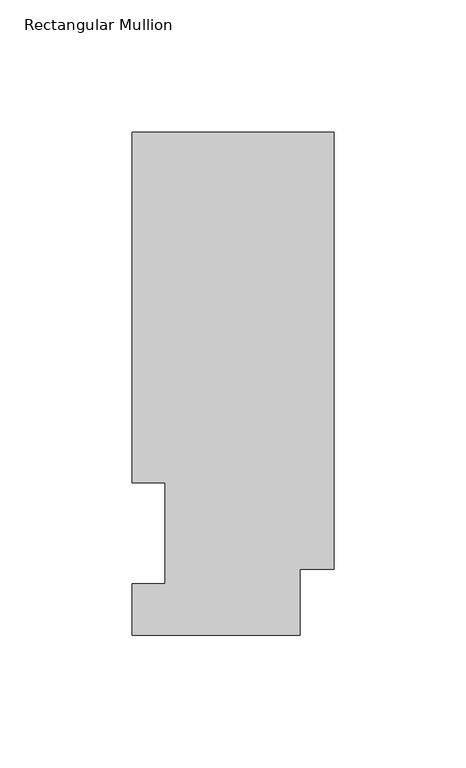
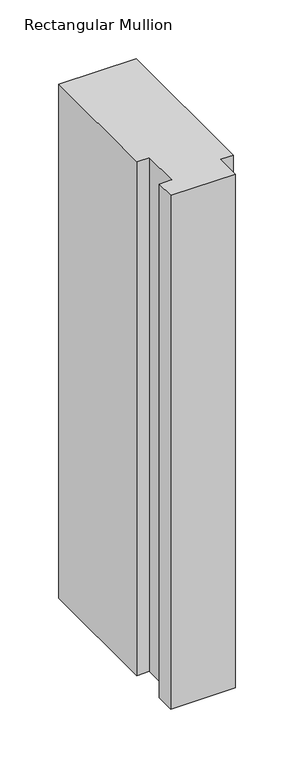
"""IFC4 building model written with IfcOpenShell, lengths in millimetres: member geometry, Rectangular Mullion."""

from ifc_helpers import new_model, si_unit, frame, origin, place, context, project, spatial, polyline, outline, extrude, source, transform, mapped, element, save


def rectangular_mullion_e23c7b3b(model_context):
    return source(origin(), model_context, "Body", "SweptSolid", [
        extrude(outline(polyline([(-76.2, 190.0816937), (0.0, 190.0816937), (0.0, 25.0832937), (-12.7, 25.0832937), (-12.7, 0.0134937), (-76.2, 0.0134937), (-76.2, 19.5460937), (-63.8581605, 19.5460937), (-63.8581605, 57.6460937), (-76.2, 57.6460937), (-76.2, 190.0816937)])), frame((0.0, 0.0, -533.4134937), z_axis=(0.0, 0.0, 1.0), x_axis=(1.0, 0.0, 0.0)), (0.0, 0.0, 1.0), 533.4134937),
    ])


if __name__ == "__main__":
    model = new_model("IFC4")
    model_context = context("Model", 3, world=origin())
    ifc_project = project(units=[si_unit("LENGTHUNIT", "METRE", prefix="MILLI")], contexts=[model_context])
    site = spatial("IfcSite", under=ifc_project)
    building = spatial("IfcBuilding", under=site)
    placement = place(None, origin())
    rectangular_mullion_shape = rectangular_mullion_e23c7b3b(model_context)
    element("IfcMember", 1, ObjectType="Rectangular Mullion", at=placement, inside=building, context=model_context, shape_type="MappedRepresentation", body=[
        mapped(rectangular_mullion_shape, transform((0.0, 0.0, 0.0), x_axis=(1.0, 0.0, 0.0), y_axis=(0.0, 1.0, 0.0), z_axis=(0.0, 0.0, 1.0))),
    ])
    save(model, "model.ifc")
